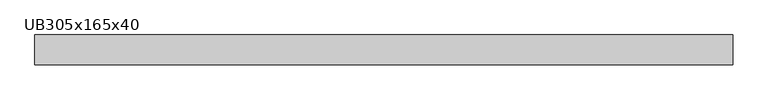
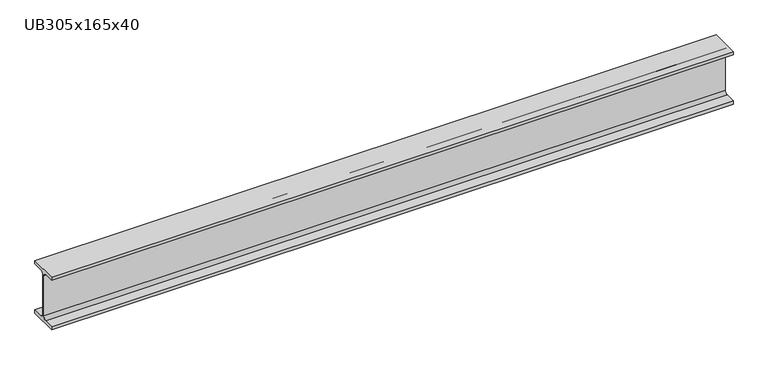
"""IFC4 building model written with IfcOpenShell, lengths in millimetres: beam geometry, UB305x165x40."""

from ifc_helpers import new_model, si_unit, point, frame, frame_2d, origin, place, context, project, spatial, polyline, circle_curve, trimmed, segment, composite_curve, outline, extrude, source, transform, mapped, element, save


def ub305x165x40_99fa1360(model_context):
    return source(origin(), model_context, "Body", "SweptSolid", [
        extrude(outline(composite_curve([segment(polyline([(42.5, -71.5), (42.5, -81.7), (-42.5, -81.7), (-42.5, -71.5), (-11.9, -71.5)]), True, "CONTINUOUS"), segment(trimmed(circle_curve(frame_2d((-11.9, -62.6)), 8.9), [point((-11.9, -71.5))], [point((-3.0, -62.6))], True, "CARTESIAN"), True, "CONTINUOUS"), segment(polyline([(-3.0, -62.6), (-3.0, 62.6)]), True, "CONTINUOUS"), segment(trimmed(circle_curve(frame_2d((-11.9, 62.6)), 8.9), [point((-3.0, 62.6))], [point((-11.9, 71.5))], True, "CARTESIAN"), True, "CONTINUOUS"), segment(polyline([(-11.9, 71.5), (-42.5, 71.5), (-42.5, 81.7), (42.5, 81.7), (42.5, 71.5), (11.9, 71.5)]), True, "CONTINUOUS"), segment(trimmed(circle_curve(frame_2d((11.9, 62.6)), 8.9), [point((11.9, 71.5))], [point((3.0, 62.6))], True, "CARTESIAN"), True, "CONTINUOUS"), segment(polyline([(3.0, 62.6), (3.0, -62.6)]), True, "CONTINUOUS"), segment(trimmed(circle_curve(frame_2d((11.9, -62.6)), 8.9), [point((3.0, -62.6))], [point((11.9, -71.5))], True, "CARTESIAN"), True, "CONTINUOUS"), segment(polyline([(11.9, -71.5), (42.5, -71.5)]), True, "CONTINUOUS")], self_intersect=False)), frame((-1000.0, 0.0, 0.0), z_axis=(1.0, 0.0, 0.0), x_axis=(0.0, 1.0, 0.0)), (0.0, 0.0, 1.0), 2000.0),
    ])


if __name__ == "__main__":
    model = new_model("IFC4")
    model_context = context("Model", 3, world=origin())
    ifc_project = project(units=[si_unit("LENGTHUNIT", "METRE", prefix="MILLI")], contexts=[model_context])
    site = spatial("IfcSite", under=ifc_project)
    building = spatial("IfcBuilding", under=site)
    placement = place(None, origin())
    ub305x165x40_shape = ub305x165x40_99fa1360(model_context)
    element("IfcBeam", 1, ObjectType="UB305x165x40", at=placement, inside=building, context=model_context, shape_type="MappedRepresentation", body=[
        mapped(ub305x165x40_shape, transform((0.0, 0.0, 0.0), x_axis=(1.0, 0.0, 0.0), y_axis=(0.0, 1.0, 0.0), z_axis=(0.0, 0.0, 1.0))),
    ])
    save(model, "model.ifc")
